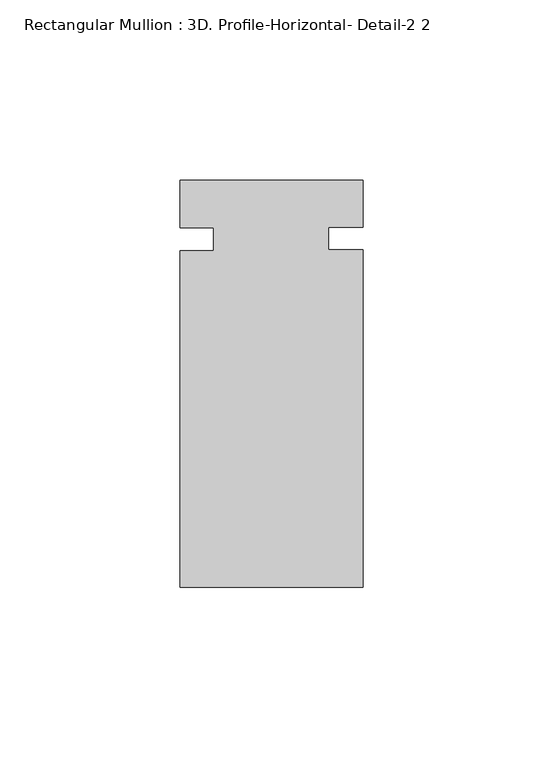
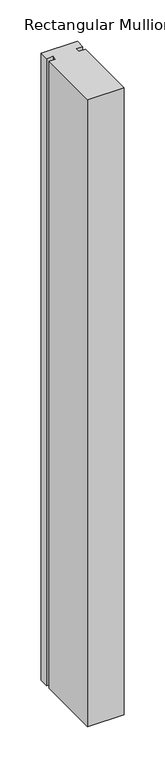
"""IFC4 building model written with IfcOpenShell, lengths in millimetres: member geometry, Rectangular Mullion : 3D. Profile-Horizontal- Detail-2 2."""

from ifc_helpers import new_model, si_unit, frame, origin, place, context, project, spatial, polyline, outline, extrude, source, transform, mapped, element, save


def rectangular_mullion_3d_profile_horizontal_detail_2_2_b5cd6e5d(model_context):
    return source(origin(), model_context, "Body", "SweptSolid", [
        extrude(outline(polyline([(25.4, -56.0506562), (-25.4, -56.0506562), (-25.4, 37.4435762), (-16.0655, 37.4435762), (-16.0655, 43.7935762), (-25.4, 43.7935762), (-25.4, 57.0301438), (25.4, 57.0301438), (25.4, 43.967209), (15.875, 43.967209), (15.875, 37.6296114), (25.4, 37.6296114), (25.4, -56.0506562)])), frame((0.0, 0.0, -928.5784616), z_axis=(0.0, 0.0, 1.0), x_axis=(1.0, 0.0, 0.0)), (0.0, 0.0, 1.0), 928.5784616),
    ])


if __name__ == "__main__":
    model = new_model("IFC4")
    model_context = context("Model", 3, world=origin())
    ifc_project = project(units=[si_unit("LENGTHUNIT", "METRE", prefix="MILLI")], contexts=[model_context])
    site = spatial("IfcSite", under=ifc_project)
    building = spatial("IfcBuilding", under=site)
    placement = place(None, origin())
    rectangular_mullion_3d_profile_horizontal_detail_2_2_shape = rectangular_mullion_3d_profile_horizontal_detail_2_2_b5cd6e5d(model_context)
    element("IfcMember", 1, ObjectType="Rectangular Mullion : 3D. Profile-Horizontal- Detail-2 2", at=placement, inside=building, context=model_context, shape_type="MappedRepresentation", body=[
        mapped(rectangular_mullion_3d_profile_horizontal_detail_2_2_shape, transform((0.0, 0.0, 0.0), x_axis=(1.0, 0.0, 0.0), y_axis=(0.0, 1.0, 0.0), z_axis=(0.0, 0.0, 1.0))),
    ])
    save(model, "model.ifc")
